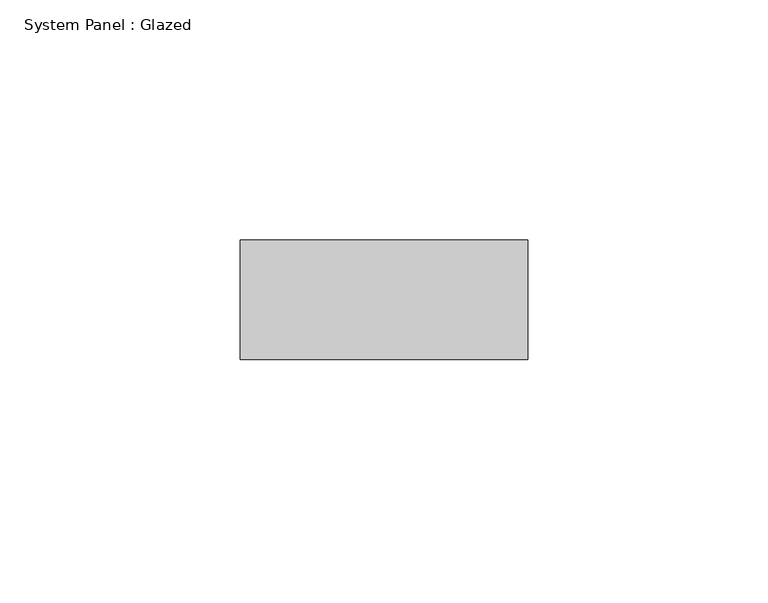
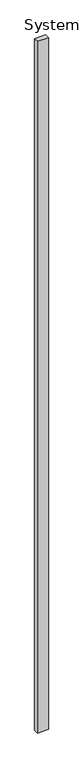
"""IFC4 building model written with IfcOpenShell, lengths in millimetres: plate geometry, System Panel : Glazed."""

import ifcopenshell
import ifcopenshell.guid

model = None  # the IFC model being written
_history = None  # IfcOwnerHistory: only IFC2X3 demands one
_inside = {}  # id of a spatial element -> (the spatial element, [elements in it])
_under = {}  # id of a project, library or spatial element -> (it, [spatial elements below it])
_declared = {}  # id of a project -> (the project, [libraries it declares])
_typed = {}  # id of a type object -> (the type object, [elements of that type])
_made_of = {}  # id of a material, layer set ... -> (it, [elements and type objects made of it])


def new_model(schema):
    """Start an empty IFC model of exactly this schema.

    Asked for "IFC4X3", IfcOpenShell would pick the latest addendum, in which some entities
    have other attributes; the version numbers below select the first issue.
    IFC2X3 requires an IfcOwnerHistory on every rooted entity: one is made here for all.
    """
    global model, _history
    if schema == "IFC4X3":
        model = ifcopenshell.file(schema_version=(4, 3, 0, 0))
    else:
        model = ifcopenshell.file(schema=schema)
    _inside.clear()
    _under.clear()
    _declared.clear()
    _typed.clear()
    _made_of.clear()
    _history = None
    if model.schema == "IFC2X3":
        org = make("IfcOrganization", Name="unknown")
        user = make(
            "IfcPersonAndOrganization",
            ThePerson=make("IfcPerson", FamilyName="unknown"),
            TheOrganization=org,
        )
        app = make(
            "IfcApplication",
            ApplicationDeveloper=org,
            Version="unknown",
            ApplicationFullName="unknown",
            ApplicationIdentifier="unknown",
        )
        _history = make(
            "IfcOwnerHistory",
            OwningUser=user,
            OwningApplication=app,
            ChangeAction="ADDED",
            CreationDate=0,
        )
    return model


def make(cls, **values):
    """One entity of the class cls with the attributes given. An attribute that is None is left unset."""
    return model.create_entity(
        cls, **{name: value for name, value in values.items() if value is not None}
    )


def rooted(cls, **values):
    """An entity with a GlobalId (a new one), such as an element, a storey or a relation."""
    return make(cls, GlobalId=ifcopenshell.guid.new(), OwnerHistory=_history, **values)


def si_unit(unit_type, name, prefix=None):
    """IfcSIUnit, for example si_unit("LENGTHUNIT", "METRE", prefix="MILLI")."""
    return make("IfcSIUnit", UnitType=unit_type, Prefix=prefix, Name=name)


def assignment(units):
    """IfcUnitAssignment: the units of a project."""
    return None if units is None else make("IfcUnitAssignment", Units=units)


def point(xyz):
    """IfcCartesianPoint."""
    return None if xyz is None else make("IfcCartesianPoint", Coordinates=xyz)


def direction(xyz):
    """IfcDirection."""
    return None if xyz is None else make("IfcDirection", DirectionRatios=xyz)


def frame(location, z_axis=None, x_axis=None):
    """IfcAxis2Placement3D, a coordinate frame: its origin and axes. An axis left out is left unset."""
    return make(
        "IfcAxis2Placement3D",
        Location=point(location),
        Axis=direction(z_axis),
        RefDirection=direction(x_axis),
    )


def origin():
    """The frame at (0, 0, 0) with its axes left unset."""
    return frame((0.0, 0.0, 0.0))


def origin_with_axes():
    """The frame at (0, 0, 0) with the z axis (0, 0, 1) and the x axis (1, 0, 0) written out."""
    return frame((0.0, 0.0, 0.0), z_axis=(0.0, 0.0, 1.0), x_axis=(1.0, 0.0, 0.0))


def place(relative_to, where):
    """IfcLocalPlacement: puts the frame where relative to a parent placement (None: the world)."""
    return make(
        "IfcLocalPlacement", PlacementRelTo=relative_to, RelativePlacement=where
    )


def context(
    kind, dimensions, precision=None, world=None, true_north=None, identifier=None
):
    """IfcGeometricRepresentationContext, for example the 3D "Model" context."""
    return make(
        "IfcGeometricRepresentationContext",
        ContextIdentifier=identifier,
        ContextType=kind,
        CoordinateSpaceDimension=dimensions,
        Precision=precision,
        WorldCoordinateSystem=world,
        TrueNorth=true_north,
    )


def project(units=None, contexts=None):
    """IfcProject with its units and contexts."""
    return rooted(
        "IfcProject",
        Name="project",
        RepresentationContexts=contexts,
        UnitsInContext=assignment(units),
    )


def spatial(cls, under=None, at=None, **own):
    """A site, building, storey or space (cls), placed at a placement, below another one or the project."""
    s = rooted(cls, ObjectPlacement=at, **own)
    if under is not None:
        _under.setdefault(under.id(), (under, []))[1].append(s)
    return s


def polyline(points):
    """IfcPolyline through the points."""
    return make("IfcPolyline", Points=[point(p) for p in points])


def outline(outer, holes=None, kind="AREA"):
    """IfcArbitraryClosedProfileDef: a profile drawn as a closed curve; with holes, ...WithVoids."""
    if holes is None:
        return make("IfcArbitraryClosedProfileDef", ProfileType=kind, OuterCurve=outer)
    return make(
        "IfcArbitraryProfileDefWithVoids",
        ProfileType=kind,
        OuterCurve=outer,
        InnerCurves=holes,
    )


def extrude(swept, where, along, depth):
    """IfcExtrudedAreaSolid: the profile swept, set in the frame where, extruded along a direction by depth."""
    return make(
        "IfcExtrudedAreaSolid",
        SweptArea=swept,
        Position=where,
        ExtrudedDirection=direction(along),
        Depth=depth,
    )


def shape(context_of_items, identifier, shape_type, items):
    """IfcShapeRepresentation: the items that make up one representation, for example the "Body"."""
    return make(
        "IfcShapeRepresentation",
        ContextOfItems=context_of_items,
        RepresentationIdentifier=identifier,
        RepresentationType=shape_type,
        Items=items,
    )


def source(mapping_origin, context_of_items, identifier, shape_type, items):
    """IfcRepresentationMap: a shape defined once, which mapped items show again and again."""
    return make(
        "IfcRepresentationMap",
        MappingOrigin=mapping_origin,
        MappedRepresentation=shape(context_of_items, identifier, shape_type, items),
    )


def transform(
    local_origin,
    x_axis=None,
    y_axis=None,
    z_axis=None,
    scale=None,
    scale2=None,
    scale3=None,
    uniform=True,
):
    """IfcCartesianTransformationOperator3D, or its non-uniform kind. x_axis, y_axis, z_axis: its Axis1, 2, 3."""
    if uniform:
        return make(
            "IfcCartesianTransformationOperator3D",
            Axis1=direction(x_axis),
            Axis2=direction(y_axis),
            LocalOrigin=point(local_origin),
            Scale=scale,
            Axis3=direction(z_axis),
        )
    return make(
        "IfcCartesianTransformationOperator3DnonUniform",
        Axis1=direction(x_axis),
        Axis2=direction(y_axis),
        LocalOrigin=point(local_origin),
        Scale=scale,
        Axis3=direction(z_axis),
        Scale2=scale2,
        Scale3=scale3,
    )


def mapped(mapping_source, mapping_target):
    """IfcMappedItem: shows the shape of a source again, moved by a transform."""
    return make(
        "IfcMappedItem", MappingSource=mapping_source, MappingTarget=mapping_target
    )


def made_of(thing, what):
    """Note that an element or type object is made of a material, layer set ...; save() writes the relation."""
    if what is not None:
        _made_of.setdefault(what.id(), (what, []))[1].append(thing)
    return thing


def element(
    cls,
    number,
    at=None,
    inside=None,
    cuts=None,
    type_object=None,
    material=None,
    context=None,
    identifier="Body",
    shape_type=None,
    held_by="IfcProductDefinitionShape",
    body=None,
    shapes=None,
    **own,
):
    """One element of the class cls, such as IfcWall. Its Tag is "e" and its number.

    at: its placement. inside: the storey or other place that contains it. cuts: it is an
    opening in that element (IfcRelVoidsElement). A single representation is given by context,
    identifier, shape_type and body (its items); several are given by shapes. held_by: the class
    of the entity that holds the representations. save() writes the other relations.
    """
    e = rooted(cls, Tag="e%d" % number, ObjectPlacement=at, **own)
    if body is not None:
        shapes = [shape(context, identifier, shape_type, body)]
    if shapes is not None:
        e.Representation = make(held_by, Representations=shapes)
    if inside is not None:
        _inside.setdefault(inside.id(), (inside, []))[1].append(e)
    if cuts is not None:
        rooted(
            "IfcRelVoidsElement", RelatingBuildingElement=cuts, RelatedOpeningElement=e
        )
    if type_object is not None:
        _typed.setdefault(type_object.id(), (type_object, []))[1].append(e)
    return made_of(e, material)


def aggregate(whole, parts):
    """IfcRelAggregates: a whole, such as a stair, and the parts it consists of."""
    return rooted("IfcRelAggregates", RelatingObject=whole, RelatedObjects=parts)


def save(model, path):
    """Write the relations noted so far, then the file.

    IfcRelAggregates (storeys below a building ...), IfcRelContainedInSpatialStructure (elements
    in a storey), IfcRelDefinesByType, IfcRelAssociatesMaterial and IfcRelDeclares: one each for
    every whole, place, type object, material and project.
    """
    for whole, parts in _under.values():
        aggregate(whole, parts)
    for where, things in _inside.values():
        rooted(
            "IfcRelContainedInSpatialStructure",
            RelatedElements=things,
            RelatingStructure=where,
        )
    for kind, things in _typed.values():
        rooted("IfcRelDefinesByType", RelatedObjects=things, RelatingType=kind)
    for what, things in _made_of.values():
        rooted("IfcRelAssociatesMaterial", RelatedObjects=things, RelatingMaterial=what)
    for by, libraries in _declared.values():
        rooted("IfcRelDeclares", RelatingContext=by, RelatedDefinitions=libraries)
    model.write(path)


def system_panel_glazed_46e04927(model_context):
    return source(origin(), model_context, "Body", "SweptSolid", [
        extrude(outline(polyline([(29.9999998, 24.5), (-29.9999998, 24.5), (-29.9999998, 49.5), (29.9999998, 49.5), (29.9999998, 24.5)])), origin_with_axes(), (0.0, 0.0, 1.0), 4000.0),
    ])


if __name__ == "__main__":
    model = new_model("IFC4")
    model_context = context("Model", 3, world=origin())
    ifc_project = project(units=[si_unit("LENGTHUNIT", "METRE", prefix="MILLI")], contexts=[model_context])
    site = spatial("IfcSite", under=ifc_project)
    building = spatial("IfcBuilding", under=site)
    placement = place(None, origin())
    system_panel_glazed_shape = system_panel_glazed_46e04927(model_context)
    element("IfcPlate", 1, ObjectType="System Panel : Glazed", at=placement, inside=building, context=model_context, shape_type="MappedRepresentation", body=[
        mapped(system_panel_glazed_shape, transform((0.0, 0.0, 0.0), x_axis=(1.0, 0.0, 0.0), y_axis=(0.0, 1.0, 0.0), z_axis=(0.0, 0.0, 1.0))),
    ])
    save(model, "model.ifc")
